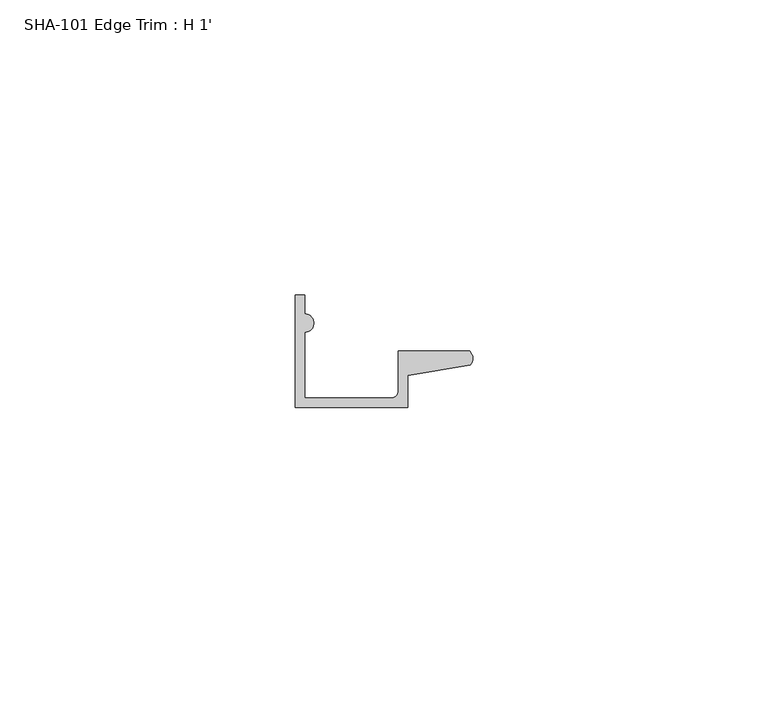
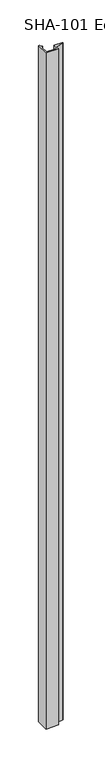
"""IFC4 building model written with IfcOpenShell, lengths in millimetres: proxy geometry, SHA-101 Edge Trim : H 1'."""

from ifc_helpers import new_model, si_unit, point, frame_2d, origin, origin_with_axes, place, context, project, spatial, polyline, circle_curve, trimmed, segment, composite_curve, outline, extrude, source, transform, mapped, element, save


def sha_101_edge_trim_h_1_e4025372(model_context):
    return source(origin(), model_context, "Body", "SweptSolid", [
        extrude(outline(composite_curve([segment(polyline([(1.5748, 12.7127), (1.5748, 1.5748), (16.1798, 1.5748)]), True, "CONTINUOUS"), segment(trimmed(circle_curve(frame_2d((16.1798, 2.8448)), 1.27), [point((16.1798, 1.5748))], [point((17.4498, 2.8448))], True, "CARTESIAN"), True, "CONTINUOUS"), segment(polyline([(17.4498, 2.8448), (17.4498, 9.525), (29.5346031, 9.525)]), True, "CONTINUOUS"), segment(trimmed(circle_curve(frame_2d((28.4438454, 8.3323235)), 1.6162393), [point((29.5346031, 9.525))], [point((29.6006869, 7.2036308))], False, "CARTESIAN"), True, "CONTINUOUS"), segment(polyline([(29.6006869, 7.2036308), (19.0246, 5.392657), (19.0246, 0.0), (0.0, 0.0), (0.0, 19.05), (1.5748, 19.05), (1.5748, 15.8623)]), True, "CONTINUOUS"), segment(trimmed(circle_curve(frame_2d((1.5748, 14.2875)), 1.5748), [point((1.5748, 15.8623))], [point((1.5748, 12.7127))], False, "CARTESIAN"), True, "CONTINUOUS")], self_intersect=False)), origin_with_axes(), (0.0, 0.0, 1.0), 1063.625),
    ])


if __name__ == "__main__":
    model = new_model("IFC4")
    model_context = context("Model", 3, world=origin())
    ifc_project = project(units=[si_unit("LENGTHUNIT", "METRE", prefix="MILLI")], contexts=[model_context])
    site = spatial("IfcSite", under=ifc_project)
    building = spatial("IfcBuilding", under=site)
    placement = place(None, origin())
    sha_101_edge_trim_h_1_shape = sha_101_edge_trim_h_1_e4025372(model_context)
    element("IfcBuildingElementProxy", 1, Name="SHA-101 Edge Trim : H 1'", ObjectType="SHA-101 Edge Trim : H 1'", at=placement, inside=building, context=model_context, shape_type="MappedRepresentation", body=[
        mapped(sha_101_edge_trim_h_1_shape, transform((0.0, 0.0, 0.0), x_axis=(1.0, 0.0, 0.0), y_axis=(0.0, 1.0, 0.0), z_axis=(0.0, 0.0, 1.0))),
    ])
    save(model, "model.ifc")
